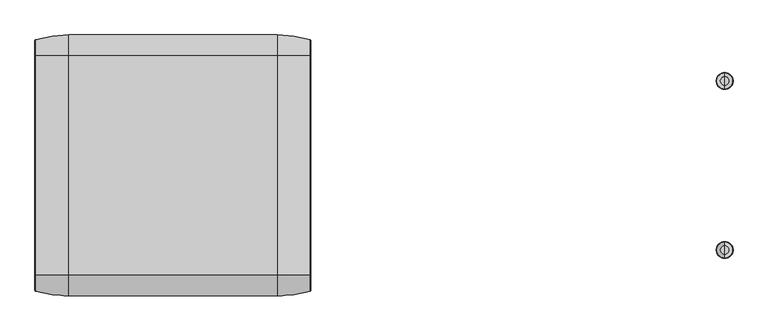
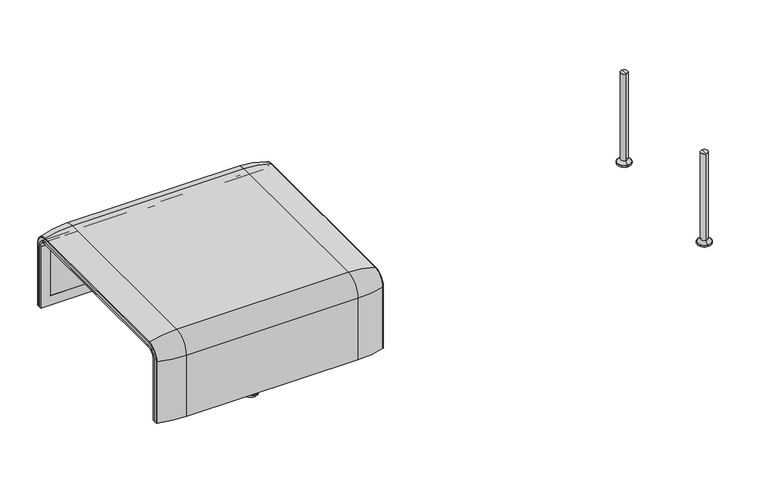
"""IFC4 building model written with IfcOpenShell, lengths in millimetres: furniture geometry."""

from ifc_helpers import new_model, si_unit, point, frame, frame_2d, origin, place, context, project, spatial, polyline, circle_curve, ellipse_curve, trimmed, segment, composite_curve, outline, extrude, source, transform, mapped, element, save
from ifc_brep_helpers import plane_surface, cylinder_surface, revolved_surface, advanced_brep


def furniture_e161b8cc(model_context):
    return source(origin(), model_context, "Body", "SolidModel", [
        advanced_brep(
        [(-1223.9718733, 323.7517936, 359.922434), (-1223.9718733, -323.7517936, 359.922434), (-1223.9718733, -351.0, 332.6742277), (-1223.9718733, -351.0, 100.5089435), (-1223.9718733, -357.5, 100.5089435), (-1223.9718733, -357.5, 333.0583003), (-1223.9718733, -324.3858663, 366.172434), (-1223.9718733, 324.3858663, 366.172434), (-1223.9718733, 357.5, 333.0583003), (-1223.9718733, 357.5, 100.5089435), (-1223.9718733, 351.0, 100.5089435), (-1223.9718733, 351.0, 332.6742277), (-407.9906244, 323.7517936, 359.922434), (-407.9906244, 351.0, 332.6742277), (-407.9906244, 351.0, 100.5089435), (-407.9906244, 357.5, 100.5089435), (-407.9906244, 357.5, 333.0583003), (-407.9906244, 324.3858663, 366.172434), (-407.9906244, -324.3858663, 366.172434), (-407.9906244, -357.5, 333.0583003), (-407.9906244, -357.5, 100.5089435), (-407.9906244, -351.0, 100.5089435), (-407.9906244, -351.0, 332.6742277), (-407.9906244, -323.7517936, 359.922434), (-1189.0718733, -324.3858663, 366.172434), (-1189.0718733, 324.3858663, 366.172434), (-442.8906244, 324.3858663, 366.172434), (-442.8906244, -324.3858663, 366.172434), (-1189.0718733, -357.5, 333.0583003), (-442.8906244, -357.5, 333.0583003), (-442.8906244, -357.5, 135.3766997), (-1189.0718733, -357.5, 135.3766997), (-1189.0718733, -351.0, 332.6742277), (-1189.0718733, -351.0, 135.3766997), (-442.8906244, -351.0, 135.3766997), (-442.8906244, -351.0, 332.6742277), (-1189.0718733, -323.7517936, 359.922434), (-442.8906244, -323.7517936, 359.922434), (-1189.0718733, 323.7517936, 359.922434), (-442.8906244, 323.7517936, 359.922434), (-1189.0718733, 357.5, 333.0583003), (-442.8906244, 357.5, 333.0583003), (-1189.0718733, 357.5, 135.3766997), (-442.8906244, 357.5, 135.3766997), (-442.8906244, 351.0, 332.6742277), (-442.8906244, 351.0, 135.3766997), (-1189.0718733, 351.0, 135.3766997), (-1189.0718733, 351.0, 332.6742277)],
        [
            (0, 1),
            (1, 2, circle_curve(frame((-1223.9718733, -323.7517936, 332.6742277), z_axis=(1.0, 0.0, 0.0), x_axis=(0.0, -1.0, 0.0)), 27.2482064)),
            (2, 3),
            (3, 4),
            (4, 5),
            (5, 6, circle_curve(frame((-1223.9718733, -324.3858663, 333.0583003), z_axis=(-1.0, 0.0, 0.0), x_axis=(0.0, -1.0, 0.0)), 33.1141337)),
            (6, 7),
            (7, 8, circle_curve(frame((-1223.9718733, 324.3858663, 333.0583003), z_axis=(-1.0, 0.0, 0.0), x_axis=(0.0, 1.0, 0.0)), 33.1141337)),
            (8, 9),
            (9, 10),
            (10, 11),
            (11, 0, circle_curve(frame((-1223.9718733, 323.7517936, 332.6742277), z_axis=(1.0, 0.0, 0.0), x_axis=(0.0, 1.0, 0.0)), 27.2482064)),
            (12, 13, circle_curve(frame((-407.9906244, 323.7517936, 332.6742277), z_axis=(-1.0, 0.0, 0.0), x_axis=(0.0, 1.0, 0.0)), 27.2482064)),
            (13, 14),
            (14, 15),
            (15, 16),
            (16, 17, circle_curve(frame((-407.9906244, 324.3858663, 333.0583003), z_axis=(1.0, 0.0, 0.0), x_axis=(0.0, 1.0, 0.0)), 33.1141337)),
            (17, 18),
            (18, 19, circle_curve(frame((-407.9906244, -324.3858663, 333.0583003), z_axis=(1.0, 0.0, 0.0), x_axis=(0.0, -1.0, 0.0)), 33.1141337)),
            (19, 20),
            (20, 21),
            (21, 22),
            (22, 23, circle_curve(frame((-407.9906244, -323.7517936, 332.6742277), z_axis=(-1.0, 0.0, 0.0), x_axis=(0.0, -1.0, 0.0)), 27.2482064)),
            (23, 12),
            (6, 24),
            (24, 25),
            (25, 7),
            (17, 26),
            (26, 27),
            (27, 18),
            (5, 28),
            (28, 24, circle_curve(frame((-1189.0718733, -324.3858663, 333.0583003), z_axis=(-1.0, 0.0, 0.0), x_axis=(0.0, -1.0, 0.0)), 33.1141337)),
            (27, 29, circle_curve(frame((-442.8906244, -324.3858663, 333.0583003), z_axis=(1.0, 0.0, 0.0), x_axis=(0.0, -1.0, 0.0)), 33.1141337)),
            (29, 19),
            (4, 20),
            (29, 30),
            (30, 31),
            (31, 28),
            (3, 21),
            (2, 32),
            (32, 33),
            (33, 34),
            (34, 35),
            (35, 22),
            (1, 36),
            (36, 32, circle_curve(frame((-1189.0718733, -323.7517936, 332.6742277), z_axis=(1.0, 0.0, 0.0), x_axis=(0.0, -1.0, 0.0)), 27.2482064)),
            (35, 37, circle_curve(frame((-442.8906244, -323.7517936, 332.6742277), z_axis=(-1.0, 0.0, 0.0), x_axis=(0.0, -1.0, 0.0)), 27.2482064)),
            (37, 23),
            (0, 38),
            (38, 36),
            (37, 39),
            (39, 12),
            (25, 40, circle_curve(frame((-1189.0718733, 324.3858663, 333.0583003), z_axis=(-1.0, 0.0, 0.0), x_axis=(0.0, 1.0, 0.0)), 33.1141337)),
            (40, 8),
            (16, 41),
            (41, 26, circle_curve(frame((-442.8906244, 324.3858663, 333.0583003), z_axis=(1.0, 0.0, 0.0), x_axis=(0.0, 1.0, 0.0)), 33.1141337)),
            (40, 42),
            (42, 43),
            (43, 41),
            (15, 9),
            (14, 10),
            (13, 44),
            (44, 45),
            (45, 46),
            (46, 47),
            (47, 11),
            (47, 38, circle_curve(frame((-1189.0718733, 323.7517936, 332.6742277), z_axis=(1.0, 0.0, 0.0), x_axis=(0.0, 1.0, 0.0)), 27.2482064)),
            (39, 44, circle_curve(frame((-442.8906244, 323.7517936, 332.6742277), z_axis=(-1.0, 0.0, 0.0), x_axis=(0.0, 1.0, 0.0)), 27.2482064)),
            (46, 42),
            (31, 33),
            (34, 30),
            (43, 45),
        ],
        [
            plane_surface(frame((-1223.9718733, -296.9265415, 359.922434), z_axis=(-1.0, 0.0, 0.0), x_axis=(0.0, -1.0, 0.0))),
            plane_surface(frame((-407.9906244, -296.9265415, 359.922434), z_axis=(1.0, 0.0, 0.0), x_axis=(0.0, 1.0, 0.0))),
            plane_surface(frame((-1223.9718733, -324.3858663, 366.172434), z_axis=(0.0, 0.0, 1.0), x_axis=(1.0, 0.0, 0.0))),
            cylinder_surface(frame((-407.9906244, -324.3858663, 333.0583003), z_axis=(-1.0, 0.0, 0.0), x_axis=(0.0, -1.0, 0.0)), 33.1141337),
            plane_surface(frame((-1223.9718733, -357.5, 100.5089435), z_axis=(0.0, -1.0, 0.0), x_axis=(1.0, 0.0, 0.0))),
            plane_surface(frame((-1223.9718733, -351.0, 100.5089435), z_axis=(0.0, 0.0, -1.0), x_axis=(1.0, 0.0, 0.0))),
            plane_surface(frame((-1223.9718733, -351.0, 332.6742277), z_axis=(0.0, 1.0, 0.0), x_axis=(1.0, 0.0, 0.0))),
            revolved_surface(polyline([(-1189.0718733, -351.0, 332.6742277), (-1223.9718733, -351.0, 332.6742277)]), (-407.9906244, -323.7517936, 332.6742277), (1.0, 0.0, 0.0)),
            revolved_surface(polyline([(-407.9906244, -351.0, 332.6742277), (-442.8906244, -351.0, 332.6742277)]), (-407.9906244, -323.7517936, 332.6742277), (1.0, 0.0, 0.0)),
            plane_surface(frame((-1223.9718733, 323.7517936, 359.922434), z_axis=(0.0, 0.0, -1.0), x_axis=(1.0, 0.0, 0.0))),
            cylinder_surface(frame((-407.9906244, 324.3858663, 333.0583003), z_axis=(-1.0, 0.0, 0.0), x_axis=(0.0, 1.0, 0.0)), 33.1141337),
            plane_surface(frame((-1223.9718733, 357.5, 333.0583003), z_axis=(0.0, 1.0, 0.0), x_axis=(1.0, 0.0, 0.0))),
            plane_surface(frame((-1223.9718733, 357.5, 100.5089435), z_axis=(0.0, 0.0, -1.0), x_axis=(1.0, 0.0, 0.0))),
            plane_surface(frame((-1223.9718733, 351.0, 100.5089435), z_axis=(0.0, -1.0, 0.0), x_axis=(1.0, 0.0, 0.0))),
            revolved_surface(polyline([(-1189.0718733, 351.0, 332.6742277), (-1223.9718733, 351.0, 332.6742277)]), (-407.9906244, 323.7517936, 332.6742277), (1.0, 0.0, 0.0)),
            revolved_surface(polyline([(-407.9906244, 351.0, 332.6742277), (-442.8906244, 351.0, 332.6742277)]), (-407.9906244, 323.7517936, 332.6742277), (1.0, 0.0, 0.0)),
            plane_surface(frame((-1189.0718733, -296.9265415, 359.922434), z_axis=(1.0, 0.0, 0.0), x_axis=(0.0, -1.0, 0.0))),
            plane_surface(frame((-442.8906244, -296.9265415, 359.922434), z_axis=(-1.0, 0.0, 0.0), x_axis=(0.0, 1.0, 0.0))),
            plane_surface(frame((-1189.0718733, -351.0, 135.3766997), z_axis=(0.0, 0.0, 1.0), x_axis=(1.0, 0.0, 0.0))),
            plane_surface(frame((-1189.0718733, 357.5, 135.3766997), z_axis=(0.0, 0.0, 1.0), x_axis=(1.0, 0.0, 0.0))),
        ],
        [
            (0, [[1, 2, 3, 4, 5, 6, 7, 8, 9, 10, 11, 12]]),
            (1, [[13, 14, 15, 16, 17, 18, 19, 20, 21, 22, 23, 24]]),
            (2, [[-7, 25, 26, 27]]),
            (2, [[-18, 28, 29, 30]]),
            (3, [[-6, 31, 32, -25]]),
            (3, [[-19, -30, 33, 34]]),
            (4, [[-5, 35, -20, -34, 36, 37, 38, -31]]),
            (5, [[-4, 39, -21, -35]]),
            (6, [[-3, 40, 41, 42, 43, 44, -22, -39]]),
            (7, [[-2, 45, 46, -40]]),
            (8, [[-23, -44, 47, 48]]),
            (9, [[-1, 49, 50, -45]]),
            (9, [[-24, -48, 51, 52]]),
            (10, [[-8, -27, 53, 54]]),
            (10, [[-17, 55, 56, -28]]),
            (11, [[-9, -54, 57, 58, 59, -55, -16, 60]]),
            (12, [[-10, -60, -15, 61]]),
            (13, [[-11, -61, -14, 62, 63, 64, 65, 66]]),
            (14, [[-12, -66, 67, -49]]),
            (15, [[-13, -52, 68, -62]]),
            (16, [[69, -57, -53, -26, -32, -38, 70, -41, -46, -50, -67, -65]]),
            (17, [[71, -36, -33, -29, -56, -59, 72, -63, -68, -51, -47, -43]]),
            (18, [[-70, -37, -71, -42]]),
            (19, [[-69, -64, -72, -58]]),
        ],
    ),
        extrude(outline(composite_curve([segment(polyline([(323.7517936, 359.922434), (-323.7517936, 359.922434)]), True, "CONTINUOUS"), segment(trimmed(circle_curve(frame_2d((-323.7517936, 332.6742277)), 27.2482064), [point((-323.7517936, 359.922434))], [point((-351.0, 332.6742277))], True, "CARTESIAN"), True, "CONTINUOUS"), segment(polyline([(-351.0, 332.6742277), (-351.0, 135.3766997), (-357.5, 135.3766997), (-357.5, 333.0583003)]), True, "CONTINUOUS"), segment(trimmed(circle_curve(frame_2d((-324.3858663, 333.0583003)), 33.1141337), [point((-357.5, 333.0583003))], [point((-324.3858663, 366.172434))], False, "CARTESIAN"), True, "CONTINUOUS"), segment(polyline([(-324.3858663, 366.172434), (324.3858663, 366.172434)]), True, "CONTINUOUS"), segment(trimmed(circle_curve(frame_2d((324.3858663, 333.0583003)), 33.1141337), [point((324.3858663, 366.172434))], [point((357.5, 333.0583003))], False, "CARTESIAN"), True, "CONTINUOUS"), segment(polyline([(357.5, 333.0583003), (357.5, 135.3766997), (351.0, 135.3766997), (351.0, 332.6742277)]), True, "CONTINUOUS"), segment(trimmed(circle_curve(frame_2d((323.7517936, 332.6742277)), 27.2482064), [point((351.0, 332.6742277))], [point((323.7517936, 359.922434))], True, "CARTESIAN"), True, "CONTINUOUS")], self_intersect=False)), frame((-1189.0718733, 0.0, 0.0), z_axis=(1.0, 0.0, 0.0), x_axis=(0.0, 1.0, 0.0)), (0.0, 0.0, 1.0), 746.1812488),
        advanced_brep(
        [(-1223.9718733, -368.7793679, 100.5089435), (-1223.9718733, -357.5, 100.5089435), (-407.9906244, -357.5, 100.5089435), (-407.9906244, -368.7793679, 100.5089435), (-410.1292529, -371.6530483, 100.5089435), (-507.9906244, -386.0043559, 100.5089435), (-1123.9718733, -386.0043559, 100.5089435), (-1221.8332448, -371.6530483, 100.5089435), (-1223.9718733, 368.7793679, 100.5089435), (-1221.8332448, 371.6530483, 100.5089435), (-1123.9718733, 386.0043559, 100.5089435), (-507.9906244, 386.0043559, 100.5089435), (-410.1292529, 371.6530483, 100.5089435), (-407.9906244, 368.7793679, 100.5089435), (-407.9906244, 357.5, 100.5089435), (-1223.9718733, 357.5, 100.5089435), (-1223.9718733, -368.7793679, 333.0583003), (-1223.9718733, -324.3858663, 377.4518019), (-1223.9718733, 324.3858663, 377.4518019), (-1223.9718733, 368.7793679, 333.0583003), (-1223.9718733, 357.5, 333.0583003), (-1223.9718733, 324.3858663, 366.172434), (-1223.9718733, -324.3858663, 366.172434), (-1223.9718733, -357.5, 333.0583003), (-407.9906244, -357.5, 333.0583003), (-507.9906244, -386.0043559, 333.0583003), (-1123.9718733, -386.0043559, 333.0583003), (-1221.8332448, -371.6530483, 333.0583003), (-407.9906244, -324.3858663, 366.172434), (-1123.9718733, -324.3858663, 394.67679), (-507.9906244, -324.3858663, 394.67679), (-1221.8332448, -324.3858663, 380.3254823), (-407.9906244, 324.3858663, 366.172434), (-507.9906244, 324.3858663, 394.67679), (-1123.9718733, 324.3858663, 394.67679), (-1221.8332448, 324.3858663, 380.3254823), (-407.9906244, 357.5, 333.0583003), (-1123.9718733, 386.0043559, 333.0583003), (-507.9906244, 386.0043559, 333.0583003), (-1221.8332448, 371.6530483, 333.0583003), (-407.9906244, 368.7793679, 333.0583003), (-407.9906244, 324.3858663, 377.4518019), (-407.9906244, -324.3858663, 377.4518019), (-407.9906244, -368.7793679, 333.0583003), (-410.1292529, -371.6530483, 333.0583003), (-410.1292529, -324.3858663, 380.3254823), (-410.1292529, 324.3858663, 380.3254823), (-410.1292529, 371.6530483, 333.0583003)],
        [
            (0, 1),
            (1, 2),
            (2, 3),
            (3, 4, circle_curve(frame((-410.9906244, -368.7793679, 100.5089435), z_axis=(0.0, 0.0, -1.0), x_axis=(-1.0, 0.0, 0.0)), 3.0)),
            (4, 5, circle_curve(frame((-507.9906244, -45.1710226, 100.5089435), z_axis=(0.0, 0.0, -1.0), x_axis=(0.0, 1.0, 0.0)), 340.8333333)),
            (5, 6),
            (6, 7, circle_curve(frame((-1123.9718733, -45.1710226, 100.5089435), z_axis=(0.0, 0.0, -1.0), x_axis=(0.0, 1.0, 0.0)), 340.8333333)),
            (7, 0, circle_curve(frame((-1220.9718733, -368.7793679, 100.5089435), z_axis=(0.0, 0.0, -1.0), x_axis=(1.0, 0.0, 0.0)), 3.0)),
            (8, 9, circle_curve(frame((-1220.9718733, 368.7793679, 100.5089435), z_axis=(0.0, 0.0, -1.0), x_axis=(1.0, 0.0, 0.0)), 3.0)),
            (9, 10, circle_curve(frame((-1123.9718733, 45.1710226, 100.5089435), z_axis=(0.0, 0.0, -1.0), x_axis=(0.0, -1.0, 0.0)), 340.8333333)),
            (10, 11),
            (11, 12, circle_curve(frame((-507.9906244, 45.1710226, 100.5089435), z_axis=(0.0, 0.0, -1.0), x_axis=(0.0, -1.0, 0.0)), 340.8333333)),
            (12, 13, circle_curve(frame((-410.9906244, 368.7793679, 100.5089435), z_axis=(0.0, 0.0, -1.0), x_axis=(-1.0, 0.0, 0.0)), 3.0)),
            (13, 14),
            (14, 15),
            (15, 8),
            (0, 16),
            (16, 17, circle_curve(frame((-1223.9718733, -324.3858663, 333.0583003), z_axis=(-1.0, 0.0, 0.0), x_axis=(0.0, -1.0, 0.0)), 44.3935016)),
            (17, 18),
            (18, 19, circle_curve(frame((-1223.9718733, 324.3858663, 333.0583003), z_axis=(-1.0, 0.0, 0.0), x_axis=(0.0, 0.0, 1.0)), 44.3935016)),
            (19, 8),
            (15, 20),
            (20, 21, circle_curve(frame((-1223.9718733, 324.3858663, 333.0583003), z_axis=(1.0, 0.0, 0.0), x_axis=(0.0, 0.0, 1.0)), 33.1141337)),
            (21, 22),
            (22, 23, circle_curve(frame((-1223.9718733, -324.3858663, 333.0583003), z_axis=(1.0, 0.0, 0.0), x_axis=(0.0, -1.0, 0.0)), 33.1141337)),
            (23, 1),
            (23, 24),
            (24, 2),
            (5, 25),
            (25, 26),
            (26, 6),
            (26, 27, circle_curve(frame((-1123.9718733, -45.1710226, 333.0583003), z_axis=(0.0, 0.0, -1.0), x_axis=(0.0, 1.0, 0.0)), 340.8333333)),
            (27, 7),
            (27, 16, circle_curve(frame((-1220.9718733, -368.7793679, 333.0583003), z_axis=(0.0, 0.0, -1.0), x_axis=(1.0, 0.0, 0.0)), 3.0)),
            (28, 24, circle_curve(frame((-407.9906244, -324.3858663, 333.0583003), z_axis=(1.0, 0.0, 0.0), x_axis=(0.0, -1.0, 0.0)), 33.1141337)),
            (22, 28),
            (29, 26, circle_curve(frame((-1123.9718733, -324.3858663, 333.0583003), z_axis=(1.0, 0.0, 0.0), x_axis=(0.0, -1.0, 0.0)), 61.6184897)),
            (25, 30, circle_curve(frame((-507.9906244, -324.3858663, 333.0583003), z_axis=(-1.0, 0.0, 0.0), x_axis=(0.0, -1.0, 0.0)), 61.6184897)),
            (30, 29),
            (31, 27, circle_curve(frame((-1221.8332448, -324.3858663, 333.0583003), z_axis=(1.0, 0.0, 0.0), x_axis=(0.0, -1.0, 0.0)), 47.267182)),
            (29, 31, circle_curve(frame((-1123.9718733, -324.3858663, 53.8434566), z_axis=(0.0, -1.0, 0.0), x_axis=(0.0, 0.0, -1.0)), 340.8333333)),
            (31, 17, circle_curve(frame((-1220.9718733, -324.3858663, 377.4518019), z_axis=(0.0, -1.0, 0.0), x_axis=(1.0, 0.0, 0.0)), 3.0)),
            (21, 32),
            (32, 28),
            (30, 33),
            (33, 34),
            (34, 29),
            (34, 35, circle_curve(frame((-1123.9718733, 324.3858663, 53.8434566), z_axis=(0.0, -1.0, 0.0), x_axis=(0.0, 0.0, -1.0)), 340.8333333)),
            (35, 31),
            (35, 18, circle_curve(frame((-1220.9718733, 324.3858663, 377.4518019), z_axis=(0.0, -1.0, 0.0), x_axis=(1.0, 0.0, 0.0)), 3.0)),
            (36, 32, circle_curve(frame((-407.9906244, 324.3858663, 333.0583003), z_axis=(1.0, 0.0, 0.0), x_axis=(0.0, 0.0, 1.0)), 33.1141337)),
            (20, 36),
            (37, 34, circle_curve(frame((-1123.9718733, 324.3858663, 333.0583003), z_axis=(1.0, 0.0, 0.0), x_axis=(0.0, 0.0, 1.0)), 61.6184897)),
            (33, 38, circle_curve(frame((-507.9906244, 324.3858663, 333.0583003), z_axis=(-1.0, 0.0, 0.0), x_axis=(0.0, 0.0, 1.0)), 61.6184897)),
            (38, 37),
            (39, 35, circle_curve(frame((-1221.8332448, 324.3858663, 333.0583003), z_axis=(1.0, 0.0, 0.0), x_axis=(0.0, 0.0, 1.0)), 47.267182)),
            (37, 39, circle_curve(frame((-1123.9718733, 45.1710226, 333.0583003), z_axis=(0.0, 0.0, 1.0), x_axis=(0.0, -1.0, 0.0)), 340.8333333)),
            (39, 19, circle_curve(frame((-1220.9718733, 368.7793679, 333.0583003), z_axis=(0.0, 0.0, 1.0), x_axis=(1.0, 0.0, 0.0)), 3.0)),
            (14, 36),
            (38, 11),
            (10, 37),
            (9, 39),
            (13, 40),
            (40, 41, circle_curve(frame((-407.9906244, 324.3858663, 333.0583003), z_axis=(1.0, 0.0, 0.0), x_axis=(0.0, 0.0, 1.0)), 44.3935016)),
            (41, 42),
            (42, 43, circle_curve(frame((-407.9906244, -324.3858663, 333.0583003), z_axis=(1.0, 0.0, 0.0), x_axis=(0.0, -1.0, 0.0)), 44.3935016)),
            (43, 3),
            (43, 44, circle_curve(frame((-410.9906244, -368.7793679, 333.0583003), z_axis=(0.0, 0.0, -1.0), x_axis=(-1.0, 0.0, 0.0)), 3.0)),
            (44, 4),
            (44, 25, circle_curve(frame((-507.9906244, -45.1710226, 333.0583003), z_axis=(0.0, 0.0, -1.0), x_axis=(0.0, 1.0, 0.0)), 340.8333333)),
            (45, 44, circle_curve(frame((-410.1292529, -324.3858663, 333.0583003), z_axis=(1.0, 0.0, 0.0), x_axis=(0.0, -1.0, 0.0)), 47.267182)),
            (42, 45, circle_curve(frame((-410.9906244, -324.3858663, 377.4518019), z_axis=(0.0, -1.0, 0.0), x_axis=(-1.0, 0.0, 0.0)), 3.0)),
            (45, 30, circle_curve(frame((-507.9906244, -324.3858663, 53.8434566), z_axis=(0.0, -1.0, 0.0), x_axis=(0.0, 0.0, -1.0)), 340.8333333)),
            (41, 46, circle_curve(frame((-410.9906244, 324.3858663, 377.4518019), z_axis=(0.0, -1.0, 0.0), x_axis=(-1.0, 0.0, 0.0)), 3.0)),
            (46, 45),
            (46, 33, circle_curve(frame((-507.9906244, 324.3858663, 53.8434566), z_axis=(0.0, -1.0, 0.0), x_axis=(0.0, 0.0, -1.0)), 340.8333333)),
            (47, 46, circle_curve(frame((-410.1292529, 324.3858663, 333.0583003), z_axis=(1.0, 0.0, 0.0), x_axis=(0.0, 0.0, 1.0)), 47.267182)),
            (40, 47, circle_curve(frame((-410.9906244, 368.7793679, 333.0583003), z_axis=(0.0, 0.0, 1.0), x_axis=(-1.0, 0.0, 0.0)), 3.0)),
            (47, 38, circle_curve(frame((-507.9906244, 45.1710226, 333.0583003), z_axis=(0.0, 0.0, 1.0), x_axis=(0.0, -1.0, 0.0)), 340.8333333)),
            (12, 47),
        ],
        [
            plane_surface(frame((-1223.9718733, -357.5, 100.5089435), z_axis=(0.0, 0.0, -1.0), x_axis=(1.0, 0.0, 0.0))),
            plane_surface(frame((-1223.9718733, 357.5, 100.5089435), z_axis=(0.0, 0.0, -1.0), x_axis=(1.0, 0.0, 0.0))),
            plane_surface(frame((-1223.9718733, -368.7793679, 100.5089435), z_axis=(-1.0, 0.0, 0.0), x_axis=(0.0, 0.0, 1.0))),
            plane_surface(frame((-1223.9718733, -357.5, 100.5089435), z_axis=(0.0, 1.0, 0.0), x_axis=(0.0, 0.0, 1.0))),
            plane_surface(frame((-507.9906244, -386.0043559, 100.5089435), z_axis=(0.0, -1.0, 0.0), x_axis=(0.0, 0.0, 1.0))),
            cylinder_surface(frame((-1123.9718733, -45.1710226, 100.5089435), z_axis=(0.0, 0.0, -1.0), x_axis=(0.0, 1.0, 0.0)), 340.8333333),
            cylinder_surface(frame((-1220.9718733, -368.7793679, 100.5089435), z_axis=(0.0, 0.0, -1.0), x_axis=(1.0, 0.0, 0.0)), 3.0),
            revolved_surface(polyline([(-1223.9718733, -357.5, 333.0583003), (-407.9906244, -357.5, 333.0583003)]), (-1223.9718733, -324.3858663, 333.0583003), (-1.0, 0.0, 0.0)),
            cylinder_surface(frame((-1223.9718733, -324.3858663, 333.0583003), z_axis=(-1.0, 0.0, 0.0), x_axis=(0.0, -1.0, 0.0)), 61.6184897),
            revolved_surface(trimmed(ellipse_curve(frame((-1123.9718733, -45.1710226, 333.0583003), z_axis=(0.0, 0.0, -1.0), x_axis=(0.0, 1.0, 0.0)), 340.8333333, 340.8333333), [point((-1123.9718733, -386.0043559, 333.0583003))], [point((-1221.8332448, -371.6530483, 333.0583003))], True, "CARTESIAN"), (-1223.9718733, -324.3858663, 333.0583003), (-1.0, 0.0, 0.0)),
            revolved_surface(trimmed(ellipse_curve(frame((-1220.9718733, -368.7793679, 333.0583003), z_axis=(0.0, 0.0, -1.0), x_axis=(1.0, 0.0, 0.0)), 3.0, 3.0), [point((-1221.8332448, -371.6530483, 333.0583003))], [point((-1223.9718733, -368.7793679, 333.0583003))], True, "CARTESIAN"), (-1223.9718733, -324.3858663, 333.0583003), (-1.0, 0.0, 0.0)),
            plane_surface(frame((-1223.9718733, -324.3858663, 366.172434), z_axis=(0.0, 0.0, -1.0), x_axis=(0.0, 1.0, 0.0))),
            plane_surface(frame((-507.9906244, -324.3858663, 394.67679), z_axis=(0.0, 0.0, 1.0), x_axis=(0.0, 1.0, 0.0))),
            cylinder_surface(frame((-1123.9718733, -324.3858663, 53.8434566), z_axis=(0.0, -1.0, 0.0), x_axis=(0.0, 0.0, -1.0)), 340.8333333),
            cylinder_surface(frame((-1220.9718733, -324.3858663, 377.4518019), z_axis=(0.0, -1.0, 0.0), x_axis=(1.0, 0.0, 0.0)), 3.0),
            revolved_surface(polyline([(-1223.9718733, 324.3858663, 366.17243399999995), (-407.9906244, 324.3858663, 366.17243399999995)]), (-1223.9718733, 324.3858663, 333.0583003), (-1.0, 0.0, 0.0)),
            cylinder_surface(frame((-1223.9718733, 324.3858663, 333.0583003), z_axis=(-1.0, 0.0, 0.0), x_axis=(0.0, 0.0, 1.0)), 61.6184897),
            revolved_surface(trimmed(ellipse_curve(frame((-1123.9718733, 324.3858663, 53.8434566), z_axis=(0.0, -1.0, 0.0), x_axis=(0.0, 0.0, -1.0)), 340.8333333, 340.8333333), [point((-1123.9718733, 324.3858663, 394.67679))], [point((-1221.8332448, 324.3858663, 380.3254823))], True, "CARTESIAN"), (-1223.9718733, 324.3858663, 333.0583003), (-1.0, 0.0, 0.0)),
            revolved_surface(trimmed(ellipse_curve(frame((-1220.9718733, 324.3858663, 377.4518019), z_axis=(0.0, -1.0, 0.0), x_axis=(1.0, 0.0, 0.0)), 3.0, 3.0), [point((-1221.8332448, 324.3858663, 380.3254823))], [point((-1223.9718733, 324.3858663, 377.4518019))], True, "CARTESIAN"), (-1223.9718733, 324.3858663, 333.0583003), (-1.0, 0.0, 0.0)),
            plane_surface(frame((-1223.9718733, 357.5, 333.0583003), z_axis=(0.0, -1.0, 0.0), x_axis=(0.0, 0.0, -1.0))),
            plane_surface(frame((-507.9906244, 386.0043559, 333.0583003), z_axis=(0.0, 1.0, 0.0), x_axis=(0.0, 0.0, -1.0))),
            cylinder_surface(frame((-1123.9718733, 45.1710226, 333.0583003), z_axis=(0.0, 0.0, 1.0), x_axis=(0.0, -1.0, 0.0)), 340.8333333),
            cylinder_surface(frame((-1220.9718733, 368.7793679, 333.0583003), z_axis=(0.0, 0.0, 1.0), x_axis=(1.0, 0.0, 0.0)), 3.0),
            plane_surface(frame((-407.9906244, -357.5, 100.5089435), z_axis=(1.0, 0.0, 0.0), x_axis=(0.0, 0.0, 1.0))),
            cylinder_surface(frame((-410.9906244, -368.7793679, 100.5089435), z_axis=(0.0, 0.0, -1.0), x_axis=(-1.0, 0.0, 0.0)), 3.0),
            cylinder_surface(frame((-507.9906244, -45.1710226, 100.5089435), z_axis=(0.0, 0.0, -1.0), x_axis=(0.0, 1.0, 0.0)), 340.8333333),
            revolved_surface(trimmed(ellipse_curve(frame((-410.9906244, -368.7793679, 333.0583003), z_axis=(0.0, 0.0, -1.0), x_axis=(-1.0, 0.0, 0.0)), 3.0, 3.0), [point((-407.9906244, -368.7793679, 333.0583003))], [point((-410.1292529, -371.6530483, 333.0583003))], True, "CARTESIAN"), (-1223.9718733, -324.3858663, 333.0583003), (-1.0, 0.0, 0.0)),
            revolved_surface(trimmed(ellipse_curve(frame((-507.9906244, -45.1710226, 333.0583003), z_axis=(0.0, 0.0, -1.0), x_axis=(0.0, 1.0, 0.0)), 340.8333333, 340.8333333), [point((-410.1292529, -371.6530483, 333.0583003))], [point((-507.9906244, -386.0043559, 333.0583003))], True, "CARTESIAN"), (-1223.9718733, -324.3858663, 333.0583003), (-1.0, 0.0, 0.0)),
            cylinder_surface(frame((-410.9906244, -324.3858663, 377.4518019), z_axis=(0.0, -1.0, 0.0), x_axis=(-1.0, 0.0, 0.0)), 3.0),
            cylinder_surface(frame((-507.9906244, -324.3858663, 53.8434566), z_axis=(0.0, -1.0, 0.0), x_axis=(0.0, 0.0, -1.0)), 340.8333333),
            revolved_surface(trimmed(ellipse_curve(frame((-410.9906244, 324.3858663, 377.4518019), z_axis=(0.0, -1.0, 0.0), x_axis=(-1.0, 0.0, 0.0)), 3.0, 3.0), [point((-407.9906244, 324.3858663, 377.4518019))], [point((-410.1292529, 324.3858663, 380.3254823))], True, "CARTESIAN"), (-1223.9718733, 324.3858663, 333.0583003), (-1.0, 0.0, 0.0)),
            revolved_surface(trimmed(ellipse_curve(frame((-507.9906244, 324.3858663, 53.8434566), z_axis=(0.0, -1.0, 0.0), x_axis=(0.0, 0.0, -1.0)), 340.8333333, 340.8333333), [point((-410.1292529, 324.3858663, 380.3254823))], [point((-507.9906244, 324.3858663, 394.67679))], True, "CARTESIAN"), (-1223.9718733, 324.3858663, 333.0583003), (-1.0, 0.0, 0.0)),
            cylinder_surface(frame((-410.9906244, 368.7793679, 333.0583003), z_axis=(0.0, 0.0, 1.0), x_axis=(-1.0, 0.0, 0.0)), 3.0),
            cylinder_surface(frame((-507.9906244, 45.1710226, 333.0583003), z_axis=(0.0, 0.0, 1.0), x_axis=(0.0, -1.0, 0.0)), 340.8333333),
        ],
        [
            (0, [[1, 2, 3, 4, 5, 6, 7, 8]]),
            (1, [[9, 10, 11, 12, 13, 14, 15, 16]]),
            (2, [[-1, 17, 18, 19, 20, 21, -16, 22, 23, 24, 25, 26]]),
            (3, [[-2, -26, 27, 28]]),
            (4, [[-6, 29, 30, 31]]),
            (5, [[-7, -31, 32, 33]]),
            (6, [[-8, -33, 34, -17]]),
            (7, [[35, -27, -25, 36]]),
            (8, [[37, -30, 38, 39]]),
            (9, [[40, -32, -37, 41]]),
            (10, [[-18, -34, -40, 42]]),
            (11, [[-36, -24, 43, 44]]),
            (12, [[-39, 45, 46, 47]]),
            (13, [[-41, -47, 48, 49]]),
            (14, [[-42, -49, 50, -19]]),
            (15, [[51, -43, -23, 52]]),
            (16, [[53, -46, 54, 55]]),
            (17, [[56, -48, -53, 57]]),
            (18, [[-20, -50, -56, 58]]),
            (19, [[-52, -22, -15, 59]]),
            (20, [[-55, 60, -11, 61]]),
            (21, [[-57, -61, -10, 62]]),
            (22, [[-58, -62, -9, -21]]),
            (23, [[-3, -28, -35, -44, -51, -59, -14, 63, 64, 65, 66, 67]]),
            (24, [[-4, -67, 68, 69]]),
            (25, [[-5, -69, 70, -29]]),
            (26, [[71, -68, -66, 72]]),
            (27, [[-38, -70, -71, 73]]),
            (28, [[-72, -65, 74, 75]]),
            (29, [[-73, -75, 76, -45]]),
            (30, [[77, -74, -64, 78]]),
            (31, [[-54, -76, -77, 79]]),
            (32, [[-78, -63, -13, 80]]),
            (33, [[-79, -80, -12, -60]]),
        ],
    ),
        advanced_brep(
        [(815.9812488, -250.0000031, 0.0), (815.9812488, -225.0000031, 0.0), (815.9812488, -275.0000031, 0.0), (815.9812488, -262.4715672, 344.8637637), (815.9812488, -237.5284391, 344.8637637), (815.9812488, -250.0000031, 344.8637637), (815.9812488, -262.4715672, 16.2604994), (815.9812488, -237.5284391, 16.2604994), (815.9812488, -273.2294713, 5.5025953), (815.9812488, -226.770535, 5.5025953), (815.9812488, -275.0000031, 5.5025953), (815.9812488, -225.0000031, 5.5025953)],
        [
            (0, 1),
            (1, 2, circle_curve(frame((815.9812488, -250.0000031, 0.0), z_axis=(0.0, 0.0, -1.0), x_axis=(0.0, 1.0, 0.0)), 25.0)),
            (2, 0),
            (2, 1, circle_curve(frame((815.9812488, -250.0000031, 0.0), z_axis=(0.0, 0.0, -1.0), x_axis=(0.0, 1.0, 0.0)), 25.0)),
            (3, 4, circle_curve(frame((815.9812488, -250.0000031, 344.8637637), z_axis=(0.0, 0.0, 1.0), x_axis=(0.0, 1.0, 0.0)), 12.471564)),
            (4, 5),
            (5, 3),
            (4, 3, circle_curve(frame((815.9812488, -250.0000031, 344.8637637), z_axis=(0.0, 0.0, 1.0), x_axis=(0.0, 1.0, 0.0)), 12.471564)),
            (6, 7, circle_curve(frame((815.9812488, -250.0000031, 16.2604994), z_axis=(0.0, 0.0, 1.0), x_axis=(0.0, 1.0, 0.0)), 12.471564)),
            (7, 4),
            (3, 6),
            (7, 6, circle_curve(frame((815.9812488, -250.0000031, 16.2604994), z_axis=(0.0, 0.0, 1.0), x_axis=(0.0, 1.0, 0.0)), 12.471564)),
            (8, 9, circle_curve(frame((815.9812488, -250.0000031, 5.5025953), z_axis=(0.0, 0.0, 1.0), x_axis=(0.0, 1.0, 0.0)), 23.2294681)),
            (9, 7, circle_curve(frame((815.9812488, -226.770535, 16.2604994), z_axis=(-1.0, 0.0, 0.0), x_axis=(0.0, 1.0, 0.0)), 10.7579041)),
            (6, 8, circle_curve(frame((815.9812488, -273.2294713, 16.2604994), z_axis=(-1.0, 0.0, 0.0), x_axis=(0.0, -1.0, 0.0)), 10.7579041)),
            (9, 8, circle_curve(frame((815.9812488, -250.0000031, 5.5025953), z_axis=(0.0, 0.0, 1.0), x_axis=(0.0, 1.0, 0.0)), 23.2294681)),
            (10, 11, circle_curve(frame((815.9812488, -250.0000031, 5.5025953), z_axis=(0.0, 0.0, 1.0), x_axis=(0.0, 1.0, 0.0)), 25.0)),
            (11, 9),
            (8, 10),
            (11, 10, circle_curve(frame((815.9812488, -250.0000031, 5.5025953), z_axis=(0.0, 0.0, 1.0), x_axis=(0.0, 1.0, 0.0)), 25.0)),
            (1, 11),
            (10, 2),
        ],
        [
            plane_surface(frame((815.9812488, -250.0000031, 0.0), z_axis=(0.0, 0.0, -1.0), x_axis=(0.0, 1.0, 0.0))),
            plane_surface(frame((815.9812488, -250.0000031, 344.8637637), z_axis=(0.0, 0.0, 1.0), x_axis=(0.0, 1.0, 0.0))),
            cylinder_surface(frame((815.9812488, -250.0000031, 344.8637637), z_axis=(0.0, 0.0, -1.0), x_axis=(0.0, 1.0, 0.0)), 12.471564),
            revolved_surface(trimmed(ellipse_curve(frame((815.9812488, -226.770535, 16.2604994), z_axis=(1.0, 0.0, 0.0), x_axis=(0.0, 1.0, 0.0)), 10.7579041, 10.7579041), [point((815.9812488, -237.5284391, 16.2604994))], [point((815.9812488, -226.770535, 5.5025953))], True, "CARTESIAN"), (815.9812488, -250.0000031, 344.8637637), (0.0, 0.0, -1.0)),
            plane_surface(frame((815.9812488, -250.0000031, 5.5025953), z_axis=(0.0, 0.0, 1.0), x_axis=(0.0, 1.0, 0.0))),
            cylinder_surface(frame((815.9812488, -250.0000031, 344.8637637), z_axis=(0.0, 0.0, -1.0), x_axis=(0.0, 1.0, 0.0)), 25.0),
        ],
        [
            (0, [[1, 2, 3]]),
            (0, [[-3, 4, -1]]),
            (1, [[5, 6, 7]]),
            (1, [[8, -7, -6]]),
            (2, [[9, 10, -5, 11]]),
            (2, [[12, -11, -8, -10]]),
            (3, [[13, 14, -9, 15]]),
            (3, [[16, -15, -12, -14]]),
            (4, [[17, 18, -13, 19]]),
            (4, [[20, -19, -16, -18]]),
            (5, [[-2, 21, -17, 22]]),
            (5, [[-4, -22, -20, -21]]),
        ],
    ),
        advanced_brep(
        [(815.9812488, 275.0000031, 0.0), (815.9812488, 225.0000031, 0.0), (815.9812488, 250.0000031, 0.0), (815.9812488, 250.0000031, 344.8637637), (815.9812488, 237.5284391, 344.8637637), (815.9812488, 262.4715672, 344.8637637), (815.9812488, 237.5284391, 16.2604994), (815.9812488, 262.4715672, 16.2604994), (815.9812488, 226.770535, 5.5025953), (815.9812488, 273.2294713, 5.5025953), (815.9812488, 225.0000031, 5.5025953), (815.9812488, 275.0000031, 5.5025953)],
        [
            (0, 1, circle_curve(frame((815.9812488, 250.0000031, 0.0), z_axis=(0.0, 0.0, -1.0), x_axis=(0.0, -1.0, 0.0)), 25.0)),
            (1, 2),
            (2, 0),
            (1, 0, circle_curve(frame((815.9812488, 250.0000031, 0.0), z_axis=(0.0, 0.0, -1.0), x_axis=(0.0, -1.0, 0.0)), 25.0)),
            (3, 4),
            (4, 5, circle_curve(frame((815.9812488, 250.0000031, 344.8637637), z_axis=(0.0, 0.0, 1.0), x_axis=(0.0, -1.0, 0.0)), 12.471564)),
            (5, 3),
            (5, 4, circle_curve(frame((815.9812488, 250.0000031, 344.8637637), z_axis=(0.0, 0.0, 1.0), x_axis=(0.0, -1.0, 0.0)), 12.471564)),
            (4, 6),
            (6, 7, circle_curve(frame((815.9812488, 250.0000031, 16.2604994), z_axis=(0.0, 0.0, 1.0), x_axis=(0.0, -1.0, 0.0)), 12.471564)),
            (7, 5),
            (7, 6, circle_curve(frame((815.9812488, 250.0000031, 16.2604994), z_axis=(0.0, 0.0, 1.0), x_axis=(0.0, -1.0, 0.0)), 12.471564)),
            (6, 8, circle_curve(frame((815.9812488, 226.770535, 16.2604994), z_axis=(-1.0, 0.0, 0.0), x_axis=(0.0, -1.0, 0.0)), 10.7579041)),
            (8, 9, circle_curve(frame((815.9812488, 250.0000031, 5.5025953), z_axis=(0.0, 0.0, 1.0), x_axis=(0.0, -1.0, 0.0)), 23.2294681)),
            (9, 7, circle_curve(frame((815.9812488, 273.2294713, 16.2604994), z_axis=(-1.0, 0.0, 0.0), x_axis=(0.0, 1.0, 0.0)), 10.7579041)),
            (9, 8, circle_curve(frame((815.9812488, 250.0000031, 5.5025953), z_axis=(0.0, 0.0, 1.0), x_axis=(0.0, -1.0, 0.0)), 23.2294681)),
            (8, 10),
            (10, 11, circle_curve(frame((815.9812488, 250.0000031, 5.5025953), z_axis=(0.0, 0.0, 1.0), x_axis=(0.0, -1.0, 0.0)), 25.0)),
            (11, 9),
            (11, 10, circle_curve(frame((815.9812488, 250.0000031, 5.5025953), z_axis=(0.0, 0.0, 1.0), x_axis=(0.0, -1.0, 0.0)), 25.0)),
            (10, 1),
            (0, 11),
        ],
        [
            plane_surface(frame((815.9812488, 250.0000031, 0.0), z_axis=(0.0, 0.0, -1.0), x_axis=(0.0, -1.0, 0.0))),
            plane_surface(frame((815.9812488, 250.0000031, 344.8637637), z_axis=(0.0, 0.0, 1.0), x_axis=(0.0, -1.0, 0.0))),
            cylinder_surface(frame((815.9812488, 250.0000031, 344.8637637), z_axis=(0.0, 0.0, 1.0), x_axis=(0.0, -1.0, 0.0)), 12.471564),
            revolved_surface(trimmed(ellipse_curve(frame((815.9812488, 226.770535, 16.2604994), z_axis=(1.0, 0.0, 0.0), x_axis=(0.0, -1.0, 0.0)), 10.7579041, 10.7579041), [point((815.9812488, 226.770535, 5.5025953))], [point((815.9812488, 237.5284391, 16.2604994))], True, "CARTESIAN"), (815.9812488, 250.0000031, 344.8637637), (0.0, 0.0, 1.0)),
            plane_surface(frame((815.9812488, 250.0000031, 5.5025953), z_axis=(0.0, 0.0, 1.0), x_axis=(0.0, -1.0, 0.0))),
            cylinder_surface(frame((815.9812488, 250.0000031, 344.8637637), z_axis=(0.0, 0.0, 1.0), x_axis=(0.0, -1.0, 0.0)), 25.0),
        ],
        [
            (0, [[1, 2, 3]]),
            (0, [[4, -3, -2]]),
            (1, [[5, 6, 7]]),
            (1, [[-7, 8, -5]]),
            (2, [[-6, 9, 10, 11]]),
            (2, [[-8, -11, 12, -9]]),
            (3, [[-10, 13, 14, 15]]),
            (3, [[-12, -15, 16, -13]]),
            (4, [[-14, 17, 18, 19]]),
            (4, [[-16, -19, 20, -17]]),
            (5, [[-18, 21, -1, 22]]),
            (5, [[-20, -22, -4, -21]]),
        ],
    ),
        advanced_brep(
        [(-815.9812488, -275.0000031, 0.0), (-815.9812488, -225.0000031, 0.0), (-815.9812488, -250.0000031, 0.0), (-815.9812488, -250.0000031, 344.8637637), (-815.9812488, -237.5284391, 344.8637637), (-815.9812488, -262.4715672, 344.8637637), (-815.9812488, -237.5284391, 16.2604994), (-815.9812488, -262.4715672, 16.2604994), (-815.9812488, -226.770535, 5.5025953), (-815.9812488, -273.2294713, 5.5025953), (-815.9812488, -225.0000031, 5.5025953), (-815.9812488, -275.0000031, 5.5025953)],
        [
            (0, 1, circle_curve(frame((-815.9812488, -250.0000031, 0.0), z_axis=(0.0, 0.0, -1.0), x_axis=(0.0, 1.0, 0.0)), 25.0)),
            (1, 2),
            (2, 0),
            (1, 0, circle_curve(frame((-815.9812488, -250.0000031, 0.0), z_axis=(0.0, 0.0, -1.0), x_axis=(0.0, 1.0, 0.0)), 25.0)),
            (3, 4),
            (4, 5, circle_curve(frame((-815.9812488, -250.0000031, 344.8637637), z_axis=(0.0, 0.0, 1.0), x_axis=(0.0, 1.0, 0.0)), 12.471564)),
            (5, 3),
            (5, 4, circle_curve(frame((-815.9812488, -250.0000031, 344.8637637), z_axis=(0.0, 0.0, 1.0), x_axis=(0.0, 1.0, 0.0)), 12.471564)),
            (4, 6),
            (6, 7, circle_curve(frame((-815.9812488, -250.0000031, 16.2604994), z_axis=(0.0, 0.0, 1.0), x_axis=(0.0, 1.0, 0.0)), 12.471564)),
            (7, 5),
            (7, 6, circle_curve(frame((-815.9812488, -250.0000031, 16.2604994), z_axis=(0.0, 0.0, 1.0), x_axis=(0.0, 1.0, 0.0)), 12.471564)),
            (6, 8, circle_curve(frame((-815.9812488, -226.770535, 16.2604994), z_axis=(1.0, 0.0, 0.0), x_axis=(0.0, 1.0, 0.0)), 10.7579041)),
            (8, 9, circle_curve(frame((-815.9812488, -250.0000031, 5.5025953), z_axis=(0.0, 0.0, 1.0), x_axis=(0.0, 1.0, 0.0)), 23.2294681)),
            (9, 7, circle_curve(frame((-815.9812488, -273.2294713, 16.2604994), z_axis=(1.0, 0.0, 0.0), x_axis=(0.0, -1.0, 0.0)), 10.7579041)),
            (9, 8, circle_curve(frame((-815.9812488, -250.0000031, 5.5025953), z_axis=(0.0, 0.0, 1.0), x_axis=(0.0, 1.0, 0.0)), 23.2294681)),
            (8, 10),
            (10, 11, circle_curve(frame((-815.9812488, -250.0000031, 5.5025953), z_axis=(0.0, 0.0, 1.0), x_axis=(0.0, 1.0, 0.0)), 25.0)),
            (11, 9),
            (11, 10, circle_curve(frame((-815.9812488, -250.0000031, 5.5025953), z_axis=(0.0, 0.0, 1.0), x_axis=(0.0, 1.0, 0.0)), 25.0)),
            (10, 1),
            (0, 11),
        ],
        [
            plane_surface(frame((-815.9812488, -250.0000031, 0.0), z_axis=(0.0, 0.0, -1.0), x_axis=(0.0, 1.0, 0.0))),
            plane_surface(frame((-815.9812488, -250.0000031, 344.8637637), z_axis=(0.0, 0.0, 1.0), x_axis=(0.0, 1.0, 0.0))),
            cylinder_surface(frame((-815.9812488, -250.0000031, 344.8637637), z_axis=(0.0, 0.0, 1.0), x_axis=(0.0, 1.0, 0.0)), 12.471564),
            revolved_surface(trimmed(ellipse_curve(frame((-815.9812488, -226.770535, 16.2604994), z_axis=(-1.0, 0.0, 0.0), x_axis=(0.0, 1.0, 0.0)), 10.7579041, 10.7579041), [point((-815.9812488, -226.770535, 5.5025953))], [point((-815.9812488, -237.5284391, 16.2604994))], True, "CARTESIAN"), (-815.9812488, -250.0000031, 344.8637637), (0.0, 0.0, 1.0)),
            plane_surface(frame((-815.9812488, -250.0000031, 5.5025953), z_axis=(0.0, 0.0, 1.0), x_axis=(0.0, 1.0, 0.0))),
            cylinder_surface(frame((-815.9812488, -250.0000031, 344.8637637), z_axis=(0.0, 0.0, 1.0), x_axis=(0.0, 1.0, 0.0)), 25.0),
        ],
        [
            (0, [[1, 2, 3]]),
            (0, [[4, -3, -2]]),
            (1, [[5, 6, 7]]),
            (1, [[-7, 8, -5]]),
            (2, [[-6, 9, 10, 11]]),
            (2, [[-8, -11, 12, -9]]),
            (3, [[-10, 13, 14, 15]]),
            (3, [[-12, -15, 16, -13]]),
            (4, [[-14, 17, 18, 19]]),
            (4, [[-16, -19, 20, -17]]),
            (5, [[-18, 21, -1, 22]]),
            (5, [[-20, -22, -4, -21]]),
        ],
    ),
        advanced_brep(
        [(-815.9812488, 250.0000031, 0.0), (-815.9812488, 225.0000031, 0.0), (-815.9812488, 275.0000031, 0.0), (-815.9812488, 262.4715672, 344.8637637), (-815.9812488, 237.5284391, 344.8637637), (-815.9812488, 250.0000031, 344.8637637), (-815.9812488, 262.4715672, 16.2604994), (-815.9812488, 237.5284391, 16.2604994), (-815.9812488, 273.2294713, 5.5025953), (-815.9812488, 226.770535, 5.5025953), (-815.9812488, 275.0000031, 5.5025953), (-815.9812488, 225.0000031, 5.5025953)],
        [
            (0, 1),
            (1, 2, circle_curve(frame((-815.9812488, 250.0000031, 0.0), z_axis=(0.0, 0.0, -1.0), x_axis=(0.0, -1.0, 0.0)), 25.0)),
            (2, 0),
            (2, 1, circle_curve(frame((-815.9812488, 250.0000031, 0.0), z_axis=(0.0, 0.0, -1.0), x_axis=(0.0, -1.0, 0.0)), 25.0)),
            (3, 4, circle_curve(frame((-815.9812488, 250.0000031, 344.8637637), z_axis=(0.0, 0.0, 1.0), x_axis=(0.0, -1.0, 0.0)), 12.471564)),
            (4, 5),
            (5, 3),
            (4, 3, circle_curve(frame((-815.9812488, 250.0000031, 344.8637637), z_axis=(0.0, 0.0, 1.0), x_axis=(0.0, -1.0, 0.0)), 12.471564)),
            (6, 7, circle_curve(frame((-815.9812488, 250.0000031, 16.2604994), z_axis=(0.0, 0.0, 1.0), x_axis=(0.0, -1.0, 0.0)), 12.471564)),
            (7, 4),
            (3, 6),
            (7, 6, circle_curve(frame((-815.9812488, 250.0000031, 16.2604994), z_axis=(0.0, 0.0, 1.0), x_axis=(0.0, -1.0, 0.0)), 12.471564)),
            (8, 9, circle_curve(frame((-815.9812488, 250.0000031, 5.5025953), z_axis=(0.0, 0.0, 1.0), x_axis=(0.0, -1.0, 0.0)), 23.2294681)),
            (9, 7, circle_curve(frame((-815.9812488, 226.770535, 16.2604994), z_axis=(1.0, 0.0, 0.0), x_axis=(0.0, -1.0, 0.0)), 10.7579041)),
            (6, 8, circle_curve(frame((-815.9812488, 273.2294713, 16.2604994), z_axis=(1.0, 0.0, 0.0), x_axis=(0.0, 1.0, 0.0)), 10.7579041)),
            (9, 8, circle_curve(frame((-815.9812488, 250.0000031, 5.5025953), z_axis=(0.0, 0.0, 1.0), x_axis=(0.0, -1.0, 0.0)), 23.2294681)),
            (10, 11, circle_curve(frame((-815.9812488, 250.0000031, 5.5025953), z_axis=(0.0, 0.0, 1.0), x_axis=(0.0, -1.0, 0.0)), 25.0)),
            (11, 9),
            (8, 10),
            (11, 10, circle_curve(frame((-815.9812488, 250.0000031, 5.5025953), z_axis=(0.0, 0.0, 1.0), x_axis=(0.0, -1.0, 0.0)), 25.0)),
            (1, 11),
            (10, 2),
        ],
        [
            plane_surface(frame((-815.9812488, 250.0000031, 0.0), z_axis=(0.0, 0.0, -1.0), x_axis=(0.0, -1.0, 0.0))),
            plane_surface(frame((-815.9812488, 250.0000031, 344.8637637), z_axis=(0.0, 0.0, 1.0), x_axis=(0.0, -1.0, 0.0))),
            cylinder_surface(frame((-815.9812488, 250.0000031, 344.8637637), z_axis=(0.0, 0.0, -1.0), x_axis=(0.0, -1.0, 0.0)), 12.471564),
            revolved_surface(trimmed(ellipse_curve(frame((-815.9812488, 226.770535, 16.2604994), z_axis=(-1.0, 0.0, 0.0), x_axis=(0.0, -1.0, 0.0)), 10.7579041, 10.7579041), [point((-815.9812488, 237.5284391, 16.2604994))], [point((-815.9812488, 226.770535, 5.5025953))], True, "CARTESIAN"), (-815.9812488, 250.0000031, 344.8637637), (0.0, 0.0, -1.0)),
            plane_surface(frame((-815.9812488, 250.0000031, 5.5025953), z_axis=(0.0, 0.0, 1.0), x_axis=(0.0, -1.0, 0.0))),
            cylinder_surface(frame((-815.9812488, 250.0000031, 344.8637637), z_axis=(0.0, 0.0, -1.0), x_axis=(0.0, -1.0, 0.0)), 25.0),
        ],
        [
            (0, [[1, 2, 3]]),
            (0, [[-3, 4, -1]]),
            (1, [[5, 6, 7]]),
            (1, [[8, -7, -6]]),
            (2, [[9, 10, -5, 11]]),
            (2, [[12, -11, -8, -10]]),
            (3, [[13, 14, -9, 15]]),
            (3, [[16, -15, -12, -14]]),
            (4, [[17, 18, -13, 19]]),
            (4, [[20, -19, -16, -18]]),
            (5, [[-2, 21, -17, 22]]),
            (5, [[-4, -22, -20, -21]]),
        ],
    ),
    ])


if __name__ == "__main__":
    model = new_model("IFC4")
    model_context = context("Model", 3, world=origin())
    ifc_project = project(units=[si_unit("LENGTHUNIT", "METRE", prefix="MILLI")], contexts=[model_context])
    site = spatial("IfcSite", under=ifc_project)
    building = spatial("IfcBuilding", under=site)
    placement = place(None, origin())
    furniture_shape = furniture_e161b8cc(model_context)
    element("IfcFurniture", 1, at=placement, inside=building, context=model_context, shape_type="MappedRepresentation", body=[
        mapped(furniture_shape, transform((0.0, 0.0, 0.0), x_axis=(1.0, 0.0, 0.0), y_axis=(0.0, 1.0, 0.0), z_axis=(0.0, 0.0, 1.0))),
    ])
    save(model, "model.ifc")
